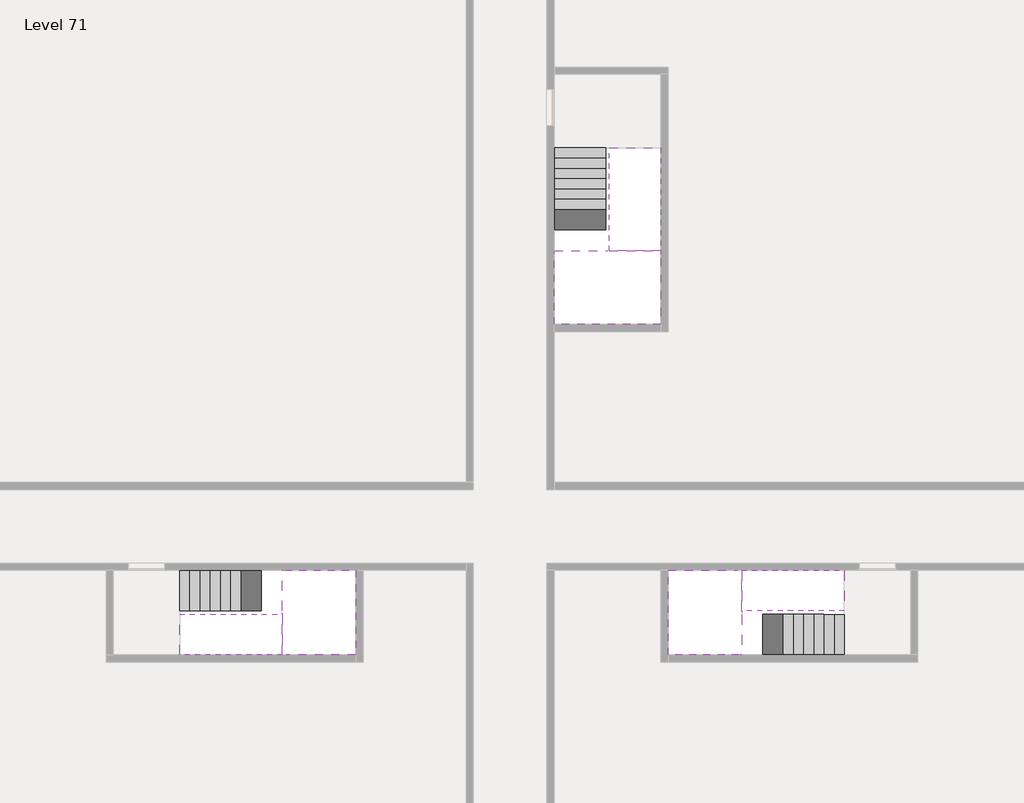
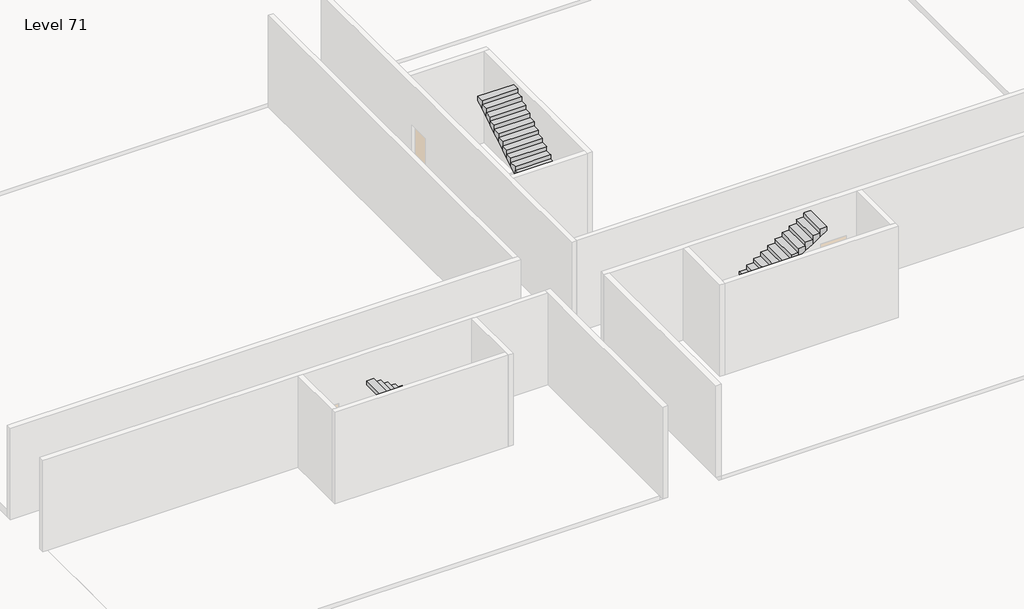
# One storey, part 2 of 2: 6 stair flights, 3 slabs.
"""IFC4 building model written with IfcOpenShell, lengths in millimetres."""

from ifc_helpers import new_model, si_unit, origin, place, context, project, spatial, faceted_brep, element, save

model = new_model("IFC4")

# Units and contexts
model_context = context("Model", 3, world=origin())
ifc_project = project(units=[si_unit("LENGTHUNIT", "METRE", prefix="MILLI")], contexts=[model_context])

# Site, building, storey
site = spatial("IfcSite", under=ifc_project)
building = spatial("IfcBuilding", under=site)
storey = spatial("IfcBuildingStorey", under=building, Name="Level 71", Elevation=266000.0)

# Slabs
placement = place(None, origin())
element("IfcSlab", 1, at=placement, inside=storey, context=model_context, shape_type="Brep", body=[
    faceted_brep([(26790.1058784, -34218.09644, 267900.0), (25390.1058784, -34218.09644, 267900.0), (25390.1058784, -34297.4828763, 267900.0), (25390.1058784, -36218.09644, 267900.0), (28290.1058784, -36218.09644, 267900.0), (28290.1058784, -34418.7100038, 267900.0), (28290.1058784, -34218.09644, 267900.0), (26890.1058784, -34218.09644, 267900.0), (26790.1058784, -34218.09644, 267600.0), (26790.1058784, -34218.09644, 267551.0278478), (25390.1058784, -34218.09644, 267551.0278478), (25390.1058784, -34218.09644, 267727.2727273), (25390.1058784, -34297.4828763, 267600.0), (25390.1058784, -36218.09644, 267600.0), (28290.1058784, -36218.09644, 267600.0), (28290.1058784, -34418.7100038, 267600.0), (28290.1058784, -34218.09644, 267723.7551205), (26890.1058784, -34218.09644, 267723.7551205), (26890.1058784, -34218.09644, 267600.0), (26890.1058784, -34418.7100038, 267600.0), (26790.1058784, -34297.4828763, 267600.0)], [[[0, 1, 2, 3, 4, 5, 6, 7]], [[1, 0, 8, 9, 10, 11]], [[1, 11, 10, 12, 13, 3, 2]], [[4, 3, 13, 14]], [[4, 14, 15, 16, 6, 5]], [[7, 6, 16, 17]], [[0, 7, 17, 18, 8]], [[18, 19, 15, 14, 13, 12, 20, 8]], [[19, 18, 17]], [[20, 12, 10, 9]], [[8, 20, 9]], [[15, 19, 17, 16]]]),
])
element("IfcSlab", 2, at=placement, inside=storey, context=model_context, shape_type="Brep", body=[
    faceted_brep([(30490.1058784, -45218.09644, 267900.0), (30490.1058784, -44118.09644, 267900.0), (30490.1058784, -44018.09644, 267900.0), (30490.1058784, -42918.09644, 267900.0), (30289.4923146, -42918.09644, 267900.0), (28490.1058784, -42918.09644, 267900.0), (28490.1058784, -45218.09644, 267900.0), (30410.7194421, -45218.09644, 267900.0), (30490.1058784, -45218.09644, 267727.2727273), (30490.1058784, -45218.09644, 267551.0278478), (30490.1058784, -44118.09644, 267551.0278478), (30490.1058784, -44118.09644, 267600.0), (30490.1058784, -44018.09644, 267600.0), (30490.1058784, -44018.09644, 267723.7551205), (30490.1058784, -42918.09644, 267723.7551205), (30289.4923146, -42918.09644, 267600.0), (28490.1058784, -42918.09644, 267600.0), (28490.1058784, -45218.09644, 267600.0), (30410.7194421, -45218.09644, 267600.0), (30289.4923146, -44018.09644, 267600.0), (30410.7194421, -44118.09644, 267600.0)], [[[0, 1, 2, 3, 4, 5, 6, 7]], [[1, 0, 8, 9, 10, 11]], [[2, 1, 11, 12, 13]], [[3, 2, 13, 14]], [[3, 14, 15, 16, 5, 4]], [[6, 5, 16, 17]], [[9, 8, 0, 7, 6, 17, 18]], [[19, 12, 11, 20, 18, 17, 16, 15]], [[12, 19, 13]], [[18, 20, 10, 9]], [[20, 11, 10]], [[19, 15, 14, 13]]]),
])
element("IfcSlab", 3, at=placement, inside=storey, context=model_context, shape_type="Brep", body=[
    faceted_brep([(17990.1058784, -42918.09644, 267900.0), (17990.1058784, -44018.09644, 267900.0), (17990.1058784, -44118.09644, 267900.0), (17990.1058784, -45218.09644, 267900.0), (18190.7194421, -45218.09644, 267900.0), (19990.1058784, -45218.09644, 267900.0), (19990.1058784, -42918.09644, 267900.0), (18069.4923146, -42918.09644, 267900.0), (17990.1058784, -42918.09644, 267727.2727273), (17990.1058784, -42918.09644, 267551.0278478), (17990.1058784, -44018.09644, 267551.0278478), (17990.1058784, -44018.09644, 267600.0), (17990.1058784, -44118.09644, 267600.0), (17990.1058784, -44118.09644, 267723.7551205), (17990.1058784, -45218.09644, 267723.7551205), (18190.7194421, -45218.09644, 267600.0), (19990.1058784, -45218.09644, 267600.0), (19990.1058784, -42918.09644, 267600.0), (18069.4923146, -42918.09644, 267600.0), (18190.7194421, -44118.09644, 267600.0), (18069.4923146, -44018.09644, 267600.0)], [[[0, 1, 2, 3, 4, 5, 6, 7]], [[1, 0, 8, 9, 10, 11]], [[2, 1, 11, 12, 13]], [[3, 2, 13, 14]], [[3, 14, 15, 16, 5, 4]], [[6, 5, 16, 17]], [[9, 8, 0, 7, 6, 17, 18]], [[19, 12, 11, 20, 18, 17, 16, 15]], [[12, 19, 13]], [[18, 20, 10, 9]], [[20, 11, 10]], [[19, 15, 14, 13]]]),
])

# Stair flights
element("IfcStairFlight", 4, at=placement, inside=storey, context=model_context, shape_type="Brep", body=[
    faceted_brep([(26790.1058784, -31698.09644, 266172.7272727), (26790.1058784, -31418.09644, 266172.7272727), (25390.1058784, -31418.09644, 266172.7272727), (25390.1058784, -31698.09644, 266172.7272727), (26790.1058784, -31698.09644, 266000.0), (26790.1058784, -31418.09644, 266000.0), (25390.1058784, -31418.09644, 266000.0), (25390.1058784, -31698.09644, 266000.0), (26790.1058784, -31978.09644, 266345.4545455), (26790.1058784, -31698.09644, 266345.4545455), (25390.1058784, -31698.09644, 266345.4545455), (25390.1058784, -31978.09644, 266345.4545455), (26790.1058784, -31978.09644, 266169.209666), (26790.1058784, -31703.7986657, 266000.0), (25390.1058784, -31703.7986657, 266000.0), (25390.1058784, -31978.09644, 266169.209666), (26790.1058784, -32258.09644, 266518.1818182), (26790.1058784, -31978.09644, 266518.1818182), (25390.1058784, -31978.09644, 266518.1818182), (25390.1058784, -32258.09644, 266518.1818182), (26790.1058784, -32258.09644, 266341.9369387), (25390.1058784, -32258.09644, 266341.9369387), (26790.1058784, -32538.09644, 266690.9090909), (26790.1058784, -32258.09644, 266690.9090909), (25390.1058784, -32258.09644, 266690.9090909), (25390.1058784, -32538.09644, 266690.9090909), (26790.1058784, -32538.09644, 266514.6642114), (25390.1058784, -32538.09644, 266514.6642114), (26790.1058784, -32818.09644, 266863.6363636), (26790.1058784, -32538.09644, 266863.6363636), (25390.1058784, -32538.09644, 266863.6363636), (25390.1058784, -32818.09644, 266863.6363636), (26790.1058784, -32818.09644, 266687.3914841), (25390.1058784, -32818.09644, 266687.3914841), (26790.1058784, -33098.09644, 267036.3636364), (26790.1058784, -32818.09644, 267036.3636364), (25390.1058784, -32818.09644, 267036.3636364), (25390.1058784, -33098.09644, 267036.3636364), (26790.1058784, -33098.09644, 266860.1187569), (25390.1058784, -33098.09644, 266860.1187569), (26790.1058784, -33378.09644, 267209.0909091), (26790.1058784, -33098.09644, 267209.0909091), (25390.1058784, -33098.09644, 267209.0909091), (25390.1058784, -33378.09644, 267209.0909091), (26790.1058784, -33378.09644, 267032.8460296), (25390.1058784, -33378.09644, 267032.8460296), (26790.1058784, -33658.09644, 267381.8181818), (26790.1058784, -33378.09644, 267381.8181818), (25390.1058784, -33378.09644, 267381.8181818), (25390.1058784, -33658.09644, 267381.8181818), (26790.1058784, -33658.09644, 267205.5733023), (25390.1058784, -33658.09644, 267205.5733023), (26790.1058784, -33938.09644, 267554.5454545), (26790.1058784, -33658.09644, 267554.5454545), (25390.1058784, -33658.09644, 267554.5454545), (25390.1058784, -33938.09644, 267554.5454545), (26790.1058784, -33938.09644, 267378.3005751), (25390.1058784, -33938.09644, 267378.3005751), (26790.1058784, -34218.09644, 267727.2727273), (26790.1058784, -33938.09644, 267727.2727273), (25390.1058784, -33938.09644, 267727.2727273), (25390.1058784, -34218.09644, 267727.2727273), (26790.1058784, -34218.09644, 267600.0), (26790.1058784, -34218.09644, 267551.0278478), (25390.1058784, -34218.09644, 267551.0278478)], [[[0, 1, 2, 3]], [[1, 0, 4, 5]], [[2, 1, 5, 6]], [[3, 2, 6, 7]], [[8, 9, 10, 11]], [[4, 0, 9, 8, 12, 13]], [[0, 3, 10, 9]], [[3, 7, 14, 15, 11, 10]], [[16, 17, 18, 19]], [[17, 16, 20, 12, 8]], [[8, 11, 18, 17]], [[19, 18, 11, 15, 21]], [[22, 23, 24, 25]], [[23, 22, 26, 20, 16]], [[16, 19, 24, 23]], [[25, 24, 19, 21, 27]], [[28, 29, 30, 31]], [[29, 28, 32, 26, 22]], [[22, 25, 30, 29]], [[31, 30, 25, 27, 33]], [[34, 35, 36, 37]], [[35, 34, 38, 32, 28]], [[28, 31, 36, 35]], [[37, 36, 31, 33, 39]], [[40, 41, 42, 43]], [[41, 40, 44, 38, 34]], [[34, 37, 42, 41]], [[43, 42, 37, 39, 45]], [[46, 47, 48, 49]], [[47, 46, 50, 44, 40]], [[40, 43, 48, 47]], [[49, 48, 43, 45, 51]], [[52, 53, 54, 55]], [[53, 52, 56, 50, 46]], [[46, 49, 54, 53]], [[55, 54, 49, 51, 57]], [[58, 59, 60, 61]], [[59, 58, 62, 63, 56, 52]], [[52, 55, 60, 59]], [[61, 60, 55, 57, 64]], [[58, 61, 64, 63, 62]], [[5, 4, 13, 14, 7, 6]], [[14, 13, 12, 20, 26, 32, 38, 44, 50, 56, 63, 64, 57, 51, 45, 39, 33, 27, 21, 15]]]),
])
element("IfcStairFlight", 5, at=placement, inside=storey, context=model_context, shape_type="Brep", body=[
    faceted_brep([(26890.1058784, -33938.09644, 268072.7272727), (26890.1058784, -34218.09644, 268072.7272727), (28290.1058784, -34218.09644, 268072.7272727), (28290.1058784, -33938.09644, 268072.7272727), (26890.1058784, -33938.09644, 267896.4823932), (26890.1058784, -34218.09644, 267723.7551205), (28290.1058784, -34218.09644, 267723.7551205), (28290.1058784, -34218.09644, 267900.0), (28290.1058784, -33938.09644, 267896.4823932), (26890.1058784, -33658.09644, 268245.4545455), (26890.1058784, -33938.09644, 268245.4545455), (28290.1058784, -33938.09644, 268245.4545455), (28290.1058784, -33658.09644, 268245.4545455), (26890.1058784, -33658.09644, 268069.209666), (28290.1058784, -33658.09644, 268069.209666), (26890.1058784, -33378.09644, 268418.1818182), (26890.1058784, -33658.09644, 268418.1818182), (28290.1058784, -33658.09644, 268418.1818182), (28290.1058784, -33378.09644, 268418.1818182), (26890.1058784, -33378.09644, 268241.9369387), (28290.1058784, -33378.09644, 268241.9369387), (26890.1058784, -33098.09644, 268590.9090909), (26890.1058784, -33378.09644, 268590.9090909), (28290.1058784, -33378.09644, 268590.9090909), (28290.1058784, -33098.09644, 268590.9090909), (26890.1058784, -33098.09644, 268414.6642114), (28290.1058784, -33098.09644, 268414.6642114), (26890.1058784, -32818.09644, 268763.6363636), (26890.1058784, -33098.09644, 268763.6363636), (28290.1058784, -33098.09644, 268763.6363636), (28290.1058784, -32818.09644, 268763.6363636), (26890.1058784, -32818.09644, 268587.3914841), (28290.1058784, -32818.09644, 268587.3914841), (26890.1058784, -32538.09644, 268936.3636364), (26890.1058784, -32818.09644, 268936.3636364), (28290.1058784, -32818.09644, 268936.3636364), (28290.1058784, -32538.09644, 268936.3636364), (26890.1058784, -32538.09644, 268760.1187569), (28290.1058784, -32538.09644, 268760.1187569), (26890.1058784, -32258.09644, 269109.0909091), (26890.1058784, -32538.09644, 269109.0909091), (28290.1058784, -32538.09644, 269109.0909091), (28290.1058784, -32258.09644, 269109.0909091), (26890.1058784, -32258.09644, 268932.8460296), (28290.1058784, -32258.09644, 268932.8460296), (26890.1058784, -31978.09644, 269281.8181818), (26890.1058784, -32258.09644, 269281.8181818), (28290.1058784, -32258.09644, 269281.8181818), (28290.1058784, -31978.09644, 269281.8181818), (26890.1058784, -31978.09644, 269105.5733023), (28290.1058784, -31978.09644, 269105.5733023), (26890.1058784, -31698.09644, 269454.5454545), (26890.1058784, -31978.09644, 269454.5454545), (28290.1058784, -31978.09644, 269454.5454545), (28290.1058784, -31698.09644, 269454.5454545), (26890.1058784, -31698.09644, 269278.3005751), (28290.1058784, -31698.09644, 269278.3005751), (26890.1058784, -31418.09644, 269627.2727273), (26890.1058784, -31698.09644, 269627.2727273), (28290.1058784, -31698.09644, 269627.2727273), (28290.1058784, -31418.09644, 269627.2727273), (26890.1058784, -31418.09644, 269451.0278478), (28290.1058784, -31418.09644, 269451.0278478)], [[[0, 1, 2, 3]], [[1, 0, 4, 5]], [[2, 1, 5, 6, 7]], [[3, 2, 7, 6, 8]], [[9, 10, 11, 12]], [[10, 9, 13, 4, 0]], [[11, 10, 0, 3]], [[12, 11, 3, 8, 14]], [[15, 16, 17, 18]], [[16, 15, 19, 13, 9]], [[17, 16, 9, 12]], [[18, 17, 12, 14, 20]], [[21, 22, 23, 24]], [[22, 21, 25, 19, 15]], [[23, 22, 15, 18]], [[24, 23, 18, 20, 26]], [[27, 28, 29, 30]], [[28, 27, 31, 25, 21]], [[29, 28, 21, 24]], [[30, 29, 24, 26, 32]], [[33, 34, 35, 36]], [[34, 33, 37, 31, 27]], [[35, 34, 27, 30]], [[36, 35, 30, 32, 38]], [[39, 40, 41, 42]], [[40, 39, 43, 37, 33]], [[41, 40, 33, 36]], [[42, 41, 36, 38, 44]], [[45, 46, 47, 48]], [[46, 45, 49, 43, 39]], [[47, 46, 39, 42]], [[48, 47, 42, 44, 50]], [[51, 52, 53, 54]], [[52, 51, 55, 49, 45]], [[53, 52, 45, 48]], [[54, 53, 48, 50, 56]], [[57, 58, 59, 60]], [[58, 57, 61, 55, 51]], [[59, 58, 51, 54]], [[60, 59, 54, 56, 62]], [[57, 60, 62, 61]], [[5, 4, 13, 19, 25, 31, 37, 43, 49, 55, 61, 62, 56, 50, 44, 38, 32, 26, 20, 14, 8, 6]]]),
])
element("IfcStairFlight", 6, at=placement, inside=storey, context=model_context, shape_type="Brep", body=[
    faceted_brep([(33010.1058784, -45218.09644, 266172.7272727), (33290.1058784, -45218.09644, 266172.7272727), (33290.1058784, -44118.09644, 266172.7272727), (33010.1058784, -44118.09644, 266172.7272727), (33010.1058784, -45218.09644, 266000.0), (33290.1058784, -45218.09644, 266000.0), (33290.1058784, -44118.09644, 266000.0), (33010.1058784, -44118.09644, 266000.0), (32730.1058784, -45218.09644, 266345.4545455), (33010.1058784, -45218.09644, 266345.4545455), (33010.1058784, -44118.09644, 266345.4545455), (32730.1058784, -44118.09644, 266345.4545455), (32730.1058784, -45218.09644, 266169.209666), (33004.4036527, -45218.09644, 266000.0), (33004.4036527, -44118.09644, 266000.0), (32730.1058784, -44118.09644, 266169.209666), (32450.1058784, -45218.09644, 266518.1818182), (32730.1058784, -45218.09644, 266518.1818182), (32730.1058784, -44118.09644, 266518.1818182), (32450.1058784, -44118.09644, 266518.1818182), (32450.1058784, -45218.09644, 266341.9369387), (32450.1058784, -44118.09644, 266341.9369387), (32170.1058784, -45218.09644, 266690.9090909), (32450.1058784, -45218.09644, 266690.9090909), (32450.1058784, -44118.09644, 266690.9090909), (32170.1058784, -44118.09644, 266690.9090909), (32170.1058784, -45218.09644, 266514.6642114), (32170.1058784, -44118.09644, 266514.6642114), (31890.1058784, -45218.09644, 266863.6363636), (32170.1058784, -45218.09644, 266863.6363636), (32170.1058784, -44118.09644, 266863.6363636), (31890.1058784, -44118.09644, 266863.6363636), (31890.1058784, -45218.09644, 266687.3914841), (31890.1058784, -44118.09644, 266687.3914841), (31610.1058784, -45218.09644, 267036.3636364), (31890.1058784, -45218.09644, 267036.3636364), (31890.1058784, -44118.09644, 267036.3636364), (31610.1058784, -44118.09644, 267036.3636364), (31610.1058784, -45218.09644, 266860.1187569), (31610.1058784, -44118.09644, 266860.1187569), (31330.1058784, -45218.09644, 267209.0909091), (31610.1058784, -45218.09644, 267209.0909091), (31610.1058784, -44118.09644, 267209.0909091), (31330.1058784, -44118.09644, 267209.0909091), (31330.1058784, -45218.09644, 267032.8460296), (31330.1058784, -44118.09644, 267032.8460296), (31050.1058784, -45218.09644, 267381.8181818), (31330.1058784, -45218.09644, 267381.8181818), (31330.1058784, -44118.09644, 267381.8181818), (31050.1058784, -44118.09644, 267381.8181818), (31050.1058784, -45218.09644, 267205.5733023), (31050.1058784, -44118.09644, 267205.5733023), (30770.1058784, -45218.09644, 267554.5454545), (31050.1058784, -45218.09644, 267554.5454545), (31050.1058784, -44118.09644, 267554.5454545), (30770.1058784, -44118.09644, 267554.5454545), (30770.1058784, -45218.09644, 267378.3005751), (30770.1058784, -44118.09644, 267378.3005751), (30490.1058784, -45218.09644, 267727.2727273), (30770.1058784, -45218.09644, 267727.2727273), (30770.1058784, -44118.09644, 267727.2727273), (30490.1058784, -44118.09644, 267727.2727273), (30490.1058784, -45218.09644, 267551.0278478), (30490.1058784, -44118.09644, 267551.0278478), (30490.1058784, -44118.09644, 267600.0)], [[[0, 1, 2, 3]], [[1, 0, 4, 5]], [[2, 1, 5, 6]], [[3, 2, 6, 7]], [[8, 9, 10, 11]], [[4, 0, 9, 8, 12, 13]], [[0, 3, 10, 9]], [[3, 7, 14, 15, 11, 10]], [[16, 17, 18, 19]], [[17, 16, 20, 12, 8]], [[8, 11, 18, 17]], [[19, 18, 11, 15, 21]], [[22, 23, 24, 25]], [[23, 22, 26, 20, 16]], [[16, 19, 24, 23]], [[25, 24, 19, 21, 27]], [[28, 29, 30, 31]], [[29, 28, 32, 26, 22]], [[22, 25, 30, 29]], [[31, 30, 25, 27, 33]], [[34, 35, 36, 37]], [[35, 34, 38, 32, 28]], [[28, 31, 36, 35]], [[37, 36, 31, 33, 39]], [[40, 41, 42, 43]], [[41, 40, 44, 38, 34]], [[34, 37, 42, 41]], [[43, 42, 37, 39, 45]], [[46, 47, 48, 49]], [[47, 46, 50, 44, 40]], [[40, 43, 48, 47]], [[49, 48, 43, 45, 51]], [[52, 53, 54, 55]], [[53, 52, 56, 50, 46]], [[46, 49, 54, 53]], [[55, 54, 49, 51, 57]], [[58, 59, 60, 61]], [[59, 58, 62, 56, 52]], [[52, 55, 60, 59]], [[61, 60, 55, 57, 63, 64]], [[58, 61, 64, 63, 62]], [[5, 4, 13, 14, 7, 6]], [[14, 13, 12, 20, 26, 32, 38, 44, 50, 56, 62, 63, 57, 51, 45, 39, 33, 27, 21, 15]]]),
])
element("IfcStairFlight", 7, at=placement, inside=storey, context=model_context, shape_type="Brep", body=[
    faceted_brep([(30770.1058784, -42918.09644, 268072.7272727), (30490.1058784, -42918.09644, 268072.7272727), (30490.1058784, -44018.09644, 268072.7272727), (30770.1058784, -44018.09644, 268072.7272727), (30770.1058784, -42918.09644, 267896.4823932), (30490.1058784, -42918.09644, 267723.7551205), (30490.1058784, -42918.09644, 267900.0), (30490.1058784, -44018.09644, 267723.7551205), (30770.1058784, -44018.09644, 267896.4823932), (31050.1058784, -42918.09644, 268245.4545455), (30770.1058784, -42918.09644, 268245.4545455), (30770.1058784, -44018.09644, 268245.4545455), (31050.1058784, -44018.09644, 268245.4545455), (31050.1058784, -42918.09644, 268069.209666), (31050.1058784, -44018.09644, 268069.209666), (31330.1058784, -42918.09644, 268418.1818182), (31050.1058784, -42918.09644, 268418.1818182), (31050.1058784, -44018.09644, 268418.1818182), (31330.1058784, -44018.09644, 268418.1818182), (31330.1058784, -42918.09644, 268241.9369387), (31330.1058784, -44018.09644, 268241.9369387), (31610.1058784, -42918.09644, 268590.9090909), (31330.1058784, -42918.09644, 268590.9090909), (31330.1058784, -44018.09644, 268590.9090909), (31610.1058784, -44018.09644, 268590.9090909), (31610.1058784, -42918.09644, 268414.6642114), (31610.1058784, -44018.09644, 268414.6642114), (31890.1058784, -42918.09644, 268763.6363636), (31610.1058784, -42918.09644, 268763.6363636), (31610.1058784, -44018.09644, 268763.6363636), (31890.1058784, -44018.09644, 268763.6363636), (31890.1058784, -42918.09644, 268587.3914841), (31890.1058784, -44018.09644, 268587.3914841), (32170.1058784, -42918.09644, 268936.3636364), (31890.1058784, -42918.09644, 268936.3636364), (31890.1058784, -44018.09644, 268936.3636364), (32170.1058784, -44018.09644, 268936.3636364), (32170.1058784, -42918.09644, 268760.1187569), (32170.1058784, -44018.09644, 268760.1187569), (32450.1058784, -42918.09644, 269109.0909091), (32170.1058784, -42918.09644, 269109.0909091), (32170.1058784, -44018.09644, 269109.0909091), (32450.1058784, -44018.09644, 269109.0909091), (32450.1058784, -42918.09644, 268932.8460296), (32450.1058784, -44018.09644, 268932.8460296), (32730.1058784, -42918.09644, 269281.8181818), (32450.1058784, -42918.09644, 269281.8181818), (32450.1058784, -44018.09644, 269281.8181818), (32730.1058784, -44018.09644, 269281.8181818), (32730.1058784, -42918.09644, 269105.5733023), (32730.1058784, -44018.09644, 269105.5733023), (33010.1058784, -42918.09644, 269454.5454545), (32730.1058784, -42918.09644, 269454.5454545), (32730.1058784, -44018.09644, 269454.5454545), (33010.1058784, -44018.09644, 269454.5454545), (33010.1058784, -42918.09644, 269278.3005751), (33010.1058784, -44018.09644, 269278.3005751), (33290.1058784, -42918.09644, 269627.2727273), (33010.1058784, -42918.09644, 269627.2727273), (33010.1058784, -44018.09644, 269627.2727273), (33290.1058784, -44018.09644, 269627.2727273), (33290.1058784, -42918.09644, 269451.0278478), (33290.1058784, -44018.09644, 269451.0278478)], [[[0, 1, 2, 3]], [[1, 0, 4, 5, 6]], [[2, 1, 6, 5, 7]], [[3, 2, 7, 8]], [[9, 10, 11, 12]], [[10, 9, 13, 4, 0]], [[11, 10, 0, 3]], [[12, 11, 3, 8, 14]], [[15, 16, 17, 18]], [[16, 15, 19, 13, 9]], [[17, 16, 9, 12]], [[18, 17, 12, 14, 20]], [[21, 22, 23, 24]], [[22, 21, 25, 19, 15]], [[23, 22, 15, 18]], [[24, 23, 18, 20, 26]], [[27, 28, 29, 30]], [[28, 27, 31, 25, 21]], [[29, 28, 21, 24]], [[30, 29, 24, 26, 32]], [[33, 34, 35, 36]], [[34, 33, 37, 31, 27]], [[35, 34, 27, 30]], [[36, 35, 30, 32, 38]], [[39, 40, 41, 42]], [[40, 39, 43, 37, 33]], [[41, 40, 33, 36]], [[42, 41, 36, 38, 44]], [[45, 46, 47, 48]], [[46, 45, 49, 43, 39]], [[47, 46, 39, 42]], [[48, 47, 42, 44, 50]], [[51, 52, 53, 54]], [[52, 51, 55, 49, 45]], [[53, 52, 45, 48]], [[54, 53, 48, 50, 56]], [[57, 58, 59, 60]], [[58, 57, 61, 55, 51]], [[59, 58, 51, 54]], [[60, 59, 54, 56, 62]], [[57, 60, 62, 61]], [[5, 4, 13, 19, 25, 31, 37, 43, 49, 55, 61, 62, 56, 50, 44, 38, 32, 26, 20, 14, 8, 7]]]),
])
element("IfcStairFlight", 8, at=placement, inside=storey, context=model_context, shape_type="Brep", body=[
    faceted_brep([(15470.1058784, -42918.09644, 266172.7272727), (15190.1058784, -42918.09644, 266172.7272727), (15190.1058784, -44018.09644, 266172.7272727), (15470.1058784, -44018.09644, 266172.7272727), (15470.1058784, -42918.09644, 266000.0), (15190.1058784, -42918.09644, 266000.0), (15190.1058784, -44018.09644, 266000.0), (15470.1058784, -44018.09644, 266000.0), (15750.1058784, -42918.09644, 266345.4545455), (15470.1058784, -42918.09644, 266345.4545455), (15470.1058784, -44018.09644, 266345.4545455), (15750.1058784, -44018.09644, 266345.4545455), (15750.1058784, -42918.09644, 266169.209666), (15475.8081041, -42918.09644, 266000.0), (15475.8081041, -44018.09644, 266000.0), (15750.1058784, -44018.09644, 266169.209666), (16030.1058784, -42918.09644, 266518.1818182), (15750.1058784, -42918.09644, 266518.1818182), (15750.1058784, -44018.09644, 266518.1818182), (16030.1058784, -44018.09644, 266518.1818182), (16030.1058784, -42918.09644, 266341.9369387), (16030.1058784, -44018.09644, 266341.9369387), (16310.1058784, -42918.09644, 266690.9090909), (16030.1058784, -42918.09644, 266690.9090909), (16030.1058784, -44018.09644, 266690.9090909), (16310.1058784, -44018.09644, 266690.9090909), (16310.1058784, -42918.09644, 266514.6642114), (16310.1058784, -44018.09644, 266514.6642114), (16590.1058784, -42918.09644, 266863.6363636), (16310.1058784, -42918.09644, 266863.6363636), (16310.1058784, -44018.09644, 266863.6363636), (16590.1058784, -44018.09644, 266863.6363636), (16590.1058784, -42918.09644, 266687.3914841), (16590.1058784, -44018.09644, 266687.3914841), (16870.1058784, -42918.09644, 267036.3636364), (16590.1058784, -42918.09644, 267036.3636364), (16590.1058784, -44018.09644, 267036.3636364), (16870.1058784, -44018.09644, 267036.3636364), (16870.1058784, -42918.09644, 266860.1187569), (16870.1058784, -44018.09644, 266860.1187569), (17150.1058784, -42918.09644, 267209.0909091), (16870.1058784, -42918.09644, 267209.0909091), (16870.1058784, -44018.09644, 267209.0909091), (17150.1058784, -44018.09644, 267209.0909091), (17150.1058784, -42918.09644, 267032.8460296), (17150.1058784, -44018.09644, 267032.8460296), (17430.1058784, -42918.09644, 267381.8181818), (17150.1058784, -42918.09644, 267381.8181818), (17150.1058784, -44018.09644, 267381.8181818), (17430.1058784, -44018.09644, 267381.8181818), (17430.1058784, -42918.09644, 267205.5733023), (17430.1058784, -44018.09644, 267205.5733023), (17710.1058784, -42918.09644, 267554.5454545), (17430.1058784, -42918.09644, 267554.5454545), (17430.1058784, -44018.09644, 267554.5454545), (17710.1058784, -44018.09644, 267554.5454545), (17710.1058784, -42918.09644, 267378.3005751), (17710.1058784, -44018.09644, 267378.3005751), (17990.1058784, -42918.09644, 267727.2727273), (17710.1058784, -42918.09644, 267727.2727273), (17710.1058784, -44018.09644, 267727.2727273), (17990.1058784, -44018.09644, 267727.2727273), (17990.1058784, -42918.09644, 267551.0278478), (17990.1058784, -44018.09644, 267551.0278478), (17990.1058784, -44018.09644, 267600.0)], [[[0, 1, 2, 3]], [[1, 0, 4, 5]], [[2, 1, 5, 6]], [[3, 2, 6, 7]], [[8, 9, 10, 11]], [[4, 0, 9, 8, 12, 13]], [[0, 3, 10, 9]], [[3, 7, 14, 15, 11, 10]], [[16, 17, 18, 19]], [[17, 16, 20, 12, 8]], [[8, 11, 18, 17]], [[19, 18, 11, 15, 21]], [[22, 23, 24, 25]], [[23, 22, 26, 20, 16]], [[16, 19, 24, 23]], [[25, 24, 19, 21, 27]], [[28, 29, 30, 31]], [[29, 28, 32, 26, 22]], [[22, 25, 30, 29]], [[31, 30, 25, 27, 33]], [[34, 35, 36, 37]], [[35, 34, 38, 32, 28]], [[28, 31, 36, 35]], [[37, 36, 31, 33, 39]], [[40, 41, 42, 43]], [[41, 40, 44, 38, 34]], [[34, 37, 42, 41]], [[43, 42, 37, 39, 45]], [[46, 47, 48, 49]], [[47, 46, 50, 44, 40]], [[40, 43, 48, 47]], [[49, 48, 43, 45, 51]], [[52, 53, 54, 55]], [[53, 52, 56, 50, 46]], [[46, 49, 54, 53]], [[55, 54, 49, 51, 57]], [[58, 59, 60, 61]], [[59, 58, 62, 56, 52]], [[52, 55, 60, 59]], [[61, 60, 55, 57, 63, 64]], [[58, 61, 64, 63, 62]], [[5, 4, 13, 14, 7, 6]], [[14, 13, 12, 20, 26, 32, 38, 44, 50, 56, 62, 63, 57, 51, 45, 39, 33, 27, 21, 15]]]),
])
element("IfcStairFlight", 9, at=placement, inside=storey, context=model_context, shape_type="Brep", body=[
    faceted_brep([(17710.1058784, -45218.09644, 268072.7272727), (17990.1058784, -45218.09644, 268072.7272727), (17990.1058784, -44118.09644, 268072.7272727), (17710.1058784, -44118.09644, 268072.7272727), (17710.1058784, -45218.09644, 267896.4823932), (17990.1058784, -45218.09644, 267723.7551205), (17990.1058784, -45218.09644, 267900.0), (17990.1058784, -44118.09644, 267723.7551205), (17710.1058784, -44118.09644, 267896.4823932), (17430.1058784, -45218.09644, 268245.4545455), (17710.1058784, -45218.09644, 268245.4545455), (17710.1058784, -44118.09644, 268245.4545455), (17430.1058784, -44118.09644, 268245.4545455), (17430.1058784, -45218.09644, 268069.209666), (17430.1058784, -44118.09644, 268069.209666), (17150.1058784, -45218.09644, 268418.1818182), (17430.1058784, -45218.09644, 268418.1818182), (17430.1058784, -44118.09644, 268418.1818182), (17150.1058784, -44118.09644, 268418.1818182), (17150.1058784, -45218.09644, 268241.9369387), (17150.1058784, -44118.09644, 268241.9369387), (16870.1058784, -45218.09644, 268590.9090909), (17150.1058784, -45218.09644, 268590.9090909), (17150.1058784, -44118.09644, 268590.9090909), (16870.1058784, -44118.09644, 268590.9090909), (16870.1058784, -45218.09644, 268414.6642114), (16870.1058784, -44118.09644, 268414.6642114), (16590.1058784, -45218.09644, 268763.6363636), (16870.1058784, -45218.09644, 268763.6363636), (16870.1058784, -44118.09644, 268763.6363636), (16590.1058784, -44118.09644, 268763.6363636), (16590.1058784, -45218.09644, 268587.3914841), (16590.1058784, -44118.09644, 268587.3914841), (16310.1058784, -45218.09644, 268936.3636364), (16590.1058784, -45218.09644, 268936.3636364), (16590.1058784, -44118.09644, 268936.3636364), (16310.1058784, -44118.09644, 268936.3636364), (16310.1058784, -45218.09644, 268760.1187569), (16310.1058784, -44118.09644, 268760.1187569), (16030.1058784, -45218.09644, 269109.0909091), (16310.1058784, -45218.09644, 269109.0909091), (16310.1058784, -44118.09644, 269109.0909091), (16030.1058784, -44118.09644, 269109.0909091), (16030.1058784, -45218.09644, 268932.8460296), (16030.1058784, -44118.09644, 268932.8460296), (15750.1058784, -45218.09644, 269281.8181818), (16030.1058784, -45218.09644, 269281.8181818), (16030.1058784, -44118.09644, 269281.8181818), (15750.1058784, -44118.09644, 269281.8181818), (15750.1058784, -45218.09644, 269105.5733023), (15750.1058784, -44118.09644, 269105.5733023), (15470.1058784, -45218.09644, 269454.5454545), (15750.1058784, -45218.09644, 269454.5454545), (15750.1058784, -44118.09644, 269454.5454545), (15470.1058784, -44118.09644, 269454.5454545), (15470.1058784, -45218.09644, 269278.3005751), (15470.1058784, -44118.09644, 269278.3005751), (15190.1058784, -45218.09644, 269627.2727273), (15470.1058784, -45218.09644, 269627.2727273), (15470.1058784, -44118.09644, 269627.2727273), (15190.1058784, -44118.09644, 269627.2727273), (15190.1058784, -45218.09644, 269451.0278478), (15190.1058784, -44118.09644, 269451.0278478)], [[[0, 1, 2, 3]], [[1, 0, 4, 5, 6]], [[2, 1, 6, 5, 7]], [[3, 2, 7, 8]], [[9, 10, 11, 12]], [[10, 9, 13, 4, 0]], [[11, 10, 0, 3]], [[12, 11, 3, 8, 14]], [[15, 16, 17, 18]], [[16, 15, 19, 13, 9]], [[17, 16, 9, 12]], [[18, 17, 12, 14, 20]], [[21, 22, 23, 24]], [[22, 21, 25, 19, 15]], [[23, 22, 15, 18]], [[24, 23, 18, 20, 26]], [[27, 28, 29, 30]], [[28, 27, 31, 25, 21]], [[29, 28, 21, 24]], [[30, 29, 24, 26, 32]], [[33, 34, 35, 36]], [[34, 33, 37, 31, 27]], [[35, 34, 27, 30]], [[36, 35, 30, 32, 38]], [[39, 40, 41, 42]], [[40, 39, 43, 37, 33]], [[41, 40, 33, 36]], [[42, 41, 36, 38, 44]], [[45, 46, 47, 48]], [[46, 45, 49, 43, 39]], [[47, 46, 39, 42]], [[48, 47, 42, 44, 50]], [[51, 52, 53, 54]], [[52, 51, 55, 49, 45]], [[53, 52, 45, 48]], [[54, 53, 48, 50, 56]], [[57, 58, 59, 60]], [[58, 57, 61, 55, 51]], [[59, 58, 51, 54]], [[60, 59, 54, 56, 62]], [[57, 60, 62, 61]], [[5, 4, 13, 19, 25, 31, 37, 43, 49, 55, 61, 62, 56, 50, 44, 38, 32, 26, 20, 14, 8, 7]]]),
])

save(model, "model.ifc")
